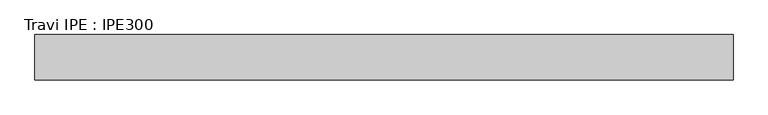
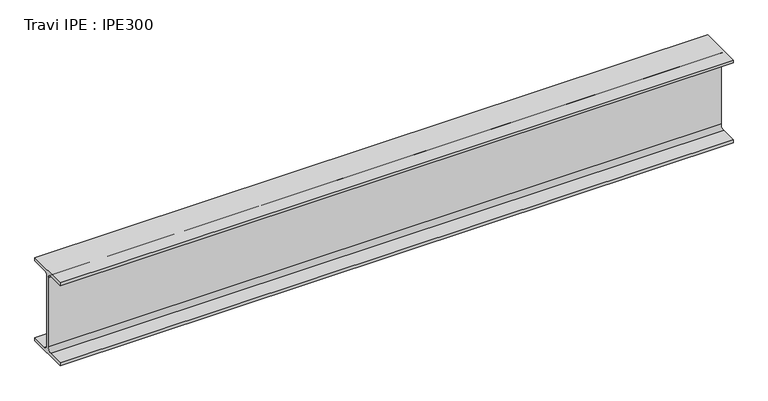
"""IFC4 building model written with IfcOpenShell, lengths in millimetres: beam geometry, Travi IPE : IPE300."""

import ifcopenshell
import ifcopenshell.guid

model = None  # the IFC model being written
_history = None  # IfcOwnerHistory: only IFC2X3 demands one
_inside = {}  # id of a spatial element -> (the spatial element, [elements in it])
_under = {}  # id of a project, library or spatial element -> (it, [spatial elements below it])
_declared = {}  # id of a project -> (the project, [libraries it declares])
_typed = {}  # id of a type object -> (the type object, [elements of that type])
_made_of = {}  # id of a material, layer set ... -> (it, [elements and type objects made of it])


def new_model(schema):
    """Start an empty IFC model of exactly this schema.

    Asked for "IFC4X3", IfcOpenShell would pick the latest addendum, in which some entities
    have other attributes; the version numbers below select the first issue.
    IFC2X3 requires an IfcOwnerHistory on every rooted entity: one is made here for all.
    """
    global model, _history
    if schema == "IFC4X3":
        model = ifcopenshell.file(schema_version=(4, 3, 0, 0))
    else:
        model = ifcopenshell.file(schema=schema)
    _inside.clear()
    _under.clear()
    _declared.clear()
    _typed.clear()
    _made_of.clear()
    _history = None
    if model.schema == "IFC2X3":
        org = make("IfcOrganization", Name="unknown")
        user = make(
            "IfcPersonAndOrganization",
            ThePerson=make("IfcPerson", FamilyName="unknown"),
            TheOrganization=org,
        )
        app = make(
            "IfcApplication",
            ApplicationDeveloper=org,
            Version="unknown",
            ApplicationFullName="unknown",
            ApplicationIdentifier="unknown",
        )
        _history = make(
            "IfcOwnerHistory",
            OwningUser=user,
            OwningApplication=app,
            ChangeAction="ADDED",
            CreationDate=0,
        )
    return model


def make(cls, **values):
    """One entity of the class cls with the attributes given. An attribute that is None is left unset."""
    return model.create_entity(
        cls, **{name: value for name, value in values.items() if value is not None}
    )


def rooted(cls, **values):
    """An entity with a GlobalId (a new one), such as an element, a storey or a relation."""
    return make(cls, GlobalId=ifcopenshell.guid.new(), OwnerHistory=_history, **values)


def si_unit(unit_type, name, prefix=None):
    """IfcSIUnit, for example si_unit("LENGTHUNIT", "METRE", prefix="MILLI")."""
    return make("IfcSIUnit", UnitType=unit_type, Prefix=prefix, Name=name)


def assignment(units):
    """IfcUnitAssignment: the units of a project."""
    return None if units is None else make("IfcUnitAssignment", Units=units)


def point(xyz):
    """IfcCartesianPoint."""
    return None if xyz is None else make("IfcCartesianPoint", Coordinates=xyz)


def direction(xyz):
    """IfcDirection."""
    return None if xyz is None else make("IfcDirection", DirectionRatios=xyz)


def frame(location, z_axis=None, x_axis=None):
    """IfcAxis2Placement3D, a coordinate frame: its origin and axes. An axis left out is left unset."""
    return make(
        "IfcAxis2Placement3D",
        Location=point(location),
        Axis=direction(z_axis),
        RefDirection=direction(x_axis),
    )


def frame_2d(location, x_axis=None):
    """IfcAxis2Placement2D, a coordinate frame in the plane: its origin and x axis."""
    return make(
        "IfcAxis2Placement2D", Location=point(location), RefDirection=direction(x_axis)
    )


def origin():
    """The frame at (0, 0, 0) with its axes left unset."""
    return frame((0.0, 0.0, 0.0))


def place(relative_to, where):
    """IfcLocalPlacement: puts the frame where relative to a parent placement (None: the world)."""
    return make(
        "IfcLocalPlacement", PlacementRelTo=relative_to, RelativePlacement=where
    )


def context(
    kind, dimensions, precision=None, world=None, true_north=None, identifier=None
):
    """IfcGeometricRepresentationContext, for example the 3D "Model" context."""
    return make(
        "IfcGeometricRepresentationContext",
        ContextIdentifier=identifier,
        ContextType=kind,
        CoordinateSpaceDimension=dimensions,
        Precision=precision,
        WorldCoordinateSystem=world,
        TrueNorth=true_north,
    )


def project(units=None, contexts=None):
    """IfcProject with its units and contexts."""
    return rooted(
        "IfcProject",
        Name="project",
        RepresentationContexts=contexts,
        UnitsInContext=assignment(units),
    )


def spatial(cls, under=None, at=None, **own):
    """A site, building, storey or space (cls), placed at a placement, below another one or the project."""
    s = rooted(cls, ObjectPlacement=at, **own)
    if under is not None:
        _under.setdefault(under.id(), (under, []))[1].append(s)
    return s


def polyline(points):
    """IfcPolyline through the points."""
    return make("IfcPolyline", Points=[point(p) for p in points])


def circle_curve(where, radius):
    """IfcCircle in the frame where."""
    return make("IfcCircle", Position=where, Radius=radius)


def trimmed(basis, trim1, trim2, sense, master):
    """IfcTrimmedCurve: the piece of a basis curve between two trims."""
    return make(
        "IfcTrimmedCurve",
        BasisCurve=basis,
        Trim1=trim1,
        Trim2=trim2,
        SenseAgreement=sense,
        MasterRepresentation=master,
    )


def segment(curve, same_sense, transition):
    """IfcCompositeCurveSegment."""
    return make(
        "IfcCompositeCurveSegment",
        Transition=transition,
        SameSense=same_sense,
        ParentCurve=curve,
    )


def composite_curve(segments, self_intersect=None):
    """IfcCompositeCurve: segments joined end to end."""
    return make("IfcCompositeCurve", Segments=segments, SelfIntersect=self_intersect)


def outline(outer, holes=None, kind="AREA"):
    """IfcArbitraryClosedProfileDef: a profile drawn as a closed curve; with holes, ...WithVoids."""
    if holes is None:
        return make("IfcArbitraryClosedProfileDef", ProfileType=kind, OuterCurve=outer)
    return make(
        "IfcArbitraryProfileDefWithVoids",
        ProfileType=kind,
        OuterCurve=outer,
        InnerCurves=holes,
    )


def extrude(swept, where, along, depth):
    """IfcExtrudedAreaSolid: the profile swept, set in the frame where, extruded along a direction by depth."""
    return make(
        "IfcExtrudedAreaSolid",
        SweptArea=swept,
        Position=where,
        ExtrudedDirection=direction(along),
        Depth=depth,
    )


def shape(context_of_items, identifier, shape_type, items):
    """IfcShapeRepresentation: the items that make up one representation, for example the "Body"."""
    return make(
        "IfcShapeRepresentation",
        ContextOfItems=context_of_items,
        RepresentationIdentifier=identifier,
        RepresentationType=shape_type,
        Items=items,
    )


def source(mapping_origin, context_of_items, identifier, shape_type, items):
    """IfcRepresentationMap: a shape defined once, which mapped items show again and again."""
    return make(
        "IfcRepresentationMap",
        MappingOrigin=mapping_origin,
        MappedRepresentation=shape(context_of_items, identifier, shape_type, items),
    )


def transform(
    local_origin,
    x_axis=None,
    y_axis=None,
    z_axis=None,
    scale=None,
    scale2=None,
    scale3=None,
    uniform=True,
):
    """IfcCartesianTransformationOperator3D, or its non-uniform kind. x_axis, y_axis, z_axis: its Axis1, 2, 3."""
    if uniform:
        return make(
            "IfcCartesianTransformationOperator3D",
            Axis1=direction(x_axis),
            Axis2=direction(y_axis),
            LocalOrigin=point(local_origin),
            Scale=scale,
            Axis3=direction(z_axis),
        )
    return make(
        "IfcCartesianTransformationOperator3DnonUniform",
        Axis1=direction(x_axis),
        Axis2=direction(y_axis),
        LocalOrigin=point(local_origin),
        Scale=scale,
        Axis3=direction(z_axis),
        Scale2=scale2,
        Scale3=scale3,
    )


def mapped(mapping_source, mapping_target):
    """IfcMappedItem: shows the shape of a source again, moved by a transform."""
    return make(
        "IfcMappedItem", MappingSource=mapping_source, MappingTarget=mapping_target
    )


def made_of(thing, what):
    """Note that an element or type object is made of a material, layer set ...; save() writes the relation."""
    if what is not None:
        _made_of.setdefault(what.id(), (what, []))[1].append(thing)
    return thing


def element(
    cls,
    number,
    at=None,
    inside=None,
    cuts=None,
    type_object=None,
    material=None,
    context=None,
    identifier="Body",
    shape_type=None,
    held_by="IfcProductDefinitionShape",
    body=None,
    shapes=None,
    **own,
):
    """One element of the class cls, such as IfcWall. Its Tag is "e" and its number.

    at: its placement. inside: the storey or other place that contains it. cuts: it is an
    opening in that element (IfcRelVoidsElement). A single representation is given by context,
    identifier, shape_type and body (its items); several are given by shapes. held_by: the class
    of the entity that holds the representations. save() writes the other relations.
    """
    e = rooted(cls, Tag="e%d" % number, ObjectPlacement=at, **own)
    if body is not None:
        shapes = [shape(context, identifier, shape_type, body)]
    if shapes is not None:
        e.Representation = make(held_by, Representations=shapes)
    if inside is not None:
        _inside.setdefault(inside.id(), (inside, []))[1].append(e)
    if cuts is not None:
        rooted(
            "IfcRelVoidsElement", RelatingBuildingElement=cuts, RelatedOpeningElement=e
        )
    if type_object is not None:
        _typed.setdefault(type_object.id(), (type_object, []))[1].append(e)
    return made_of(e, material)


def aggregate(whole, parts):
    """IfcRelAggregates: a whole, such as a stair, and the parts it consists of."""
    return rooted("IfcRelAggregates", RelatingObject=whole, RelatedObjects=parts)


def save(model, path):
    """Write the relations noted so far, then the file.

    IfcRelAggregates (storeys below a building ...), IfcRelContainedInSpatialStructure (elements
    in a storey), IfcRelDefinesByType, IfcRelAssociatesMaterial and IfcRelDeclares: one each for
    every whole, place, type object, material and project.
    """
    for whole, parts in _under.values():
        aggregate(whole, parts)
    for where, things in _inside.values():
        rooted(
            "IfcRelContainedInSpatialStructure",
            RelatedElements=things,
            RelatingStructure=where,
        )
    for kind, things in _typed.values():
        rooted("IfcRelDefinesByType", RelatedObjects=things, RelatingType=kind)
    for what, things in _made_of.values():
        rooted("IfcRelAssociatesMaterial", RelatedObjects=things, RelatingMaterial=what)
    for by, libraries in _declared.values():
        rooted("IfcRelDeclares", RelatingContext=by, RelatedDefinitions=libraries)
    model.write(path)


def travi_ipe_ipe300_c462e2b9(model_context):
    return source(origin(), model_context, "Body", "SweptSolid", [
        extrude(outline(composite_curve([segment(polyline([(75.0, -139.3), (75.0, -150.0), (-75.0, -150.0), (-75.0, -139.3), (-18.55, -139.3)]), True, "CONTINUOUS"), segment(trimmed(circle_curve(frame_2d((-18.55, -124.3)), 15.0), [point((-18.55, -139.3))], [point((-3.55, -124.3))], True, "CARTESIAN"), True, "CONTINUOUS"), segment(polyline([(-3.55, -124.3), (-3.55, 124.3)]), True, "CONTINUOUS"), segment(trimmed(circle_curve(frame_2d((-18.55, 124.3)), 15.0), [point((-3.55, 124.3))], [point((-18.55, 139.3))], True, "CARTESIAN"), True, "CONTINUOUS"), segment(polyline([(-18.55, 139.3), (-75.0, 139.3), (-75.0, 150.0), (75.0, 150.0), (75.0, 139.3), (18.55, 139.3)]), True, "CONTINUOUS"), segment(trimmed(circle_curve(frame_2d((18.55, 124.3)), 15.0), [point((18.55, 139.3))], [point((3.55, 124.3))], True, "CARTESIAN"), True, "CONTINUOUS"), segment(polyline([(3.55, 124.3), (3.55, -124.3)]), True, "CONTINUOUS"), segment(trimmed(circle_curve(frame_2d((18.55, -124.3)), 15.0), [point((3.55, -124.3))], [point((18.55, -139.3))], True, "CARTESIAN"), True, "CONTINUOUS"), segment(polyline([(18.55, -139.3), (75.0, -139.3)]), True, "CONTINUOUS")], self_intersect=False)), frame((-1098.0, 0.0, 0.0), z_axis=(1.0, 0.0, 0.0), x_axis=(0.0, 1.0, 0.0)), (0.0, 0.0, 1.0), 2304.0),
    ])


if __name__ == "__main__":
    model = new_model("IFC4")
    model_context = context("Model", 3, world=origin())
    ifc_project = project(units=[si_unit("LENGTHUNIT", "METRE", prefix="MILLI")], contexts=[model_context])
    site = spatial("IfcSite", under=ifc_project)
    building = spatial("IfcBuilding", under=site)
    placement = place(None, origin())
    travi_ipe_ipe300_shape = travi_ipe_ipe300_c462e2b9(model_context)
    element("IfcBeam", 1, ObjectType="Travi IPE : IPE300", at=placement, inside=building, context=model_context, shape_type="MappedRepresentation", body=[
        mapped(travi_ipe_ipe300_shape, transform((0.0, 0.0, 0.0), x_axis=(1.0, 0.0, 0.0), y_axis=(0.0, 1.0, 0.0), z_axis=(0.0, 0.0, 1.0))),
    ])
    save(model, "model.ifc")
